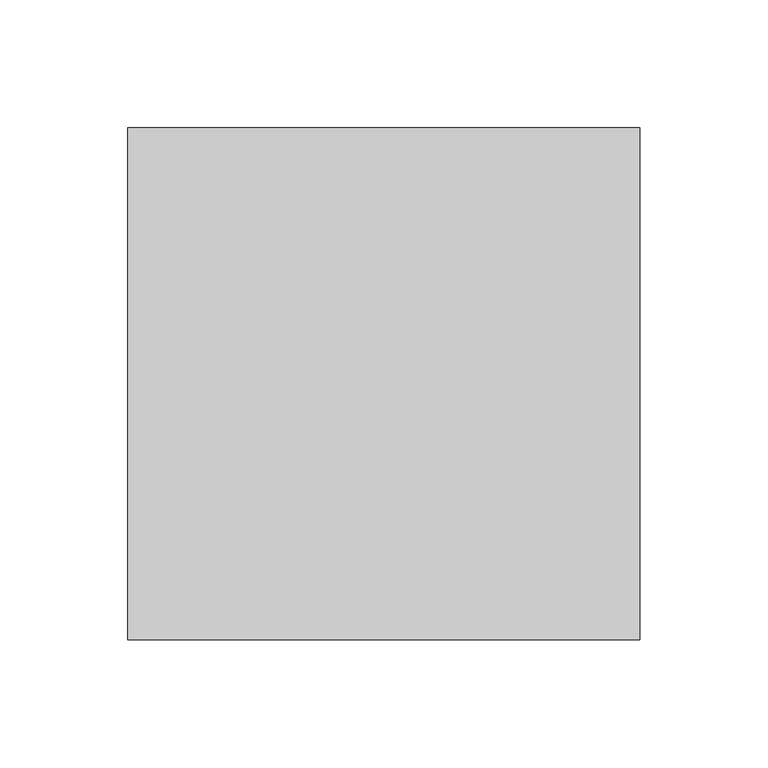
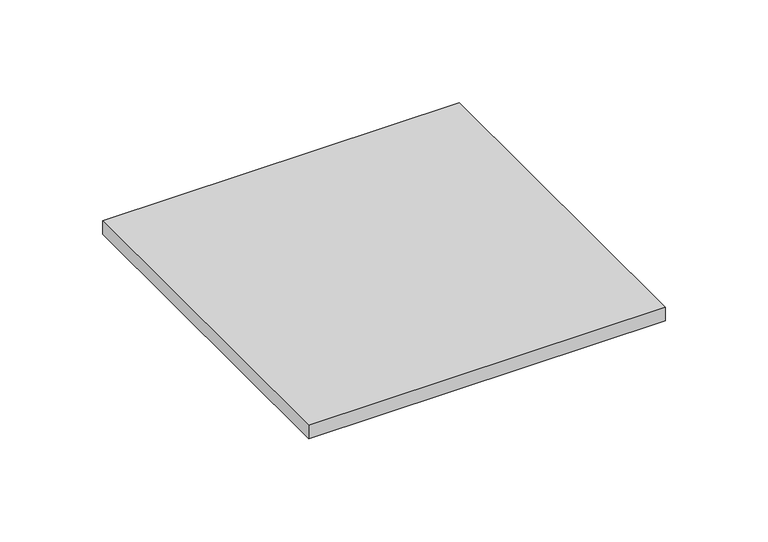
"""IFC4 building model written with IfcOpenShell, lengths in millimetres: reinforcing bar geometry."""

from ifc_helpers import new_model, si_unit, origin, origin_with_axes, place, context, project, spatial, polyline, outline, extrude, source, transform, mapped, element, save


def reinforcing_bar_fb9bd469(model_context):
    return source(origin(), model_context, "Body", "SweptSolid", [
        extrude(outline(polyline([(262.1999552, 116.8318829), (262.1999552, -83.1681171), (62.1999552, -83.1681171), (62.1999552, 116.8318829), (262.1999552, 116.8318829)])), origin_with_axes(), (0.0, 0.0, 1.0), 8.0),
    ])


if __name__ == "__main__":
    model = new_model("IFC4")
    model_context = context("Model", 3, world=origin())
    ifc_project = project(units=[si_unit("LENGTHUNIT", "METRE", prefix="MILLI")], contexts=[model_context])
    site = spatial("IfcSite", under=ifc_project)
    building = spatial("IfcBuilding", under=site)
    placement = place(None, origin())
    reinforcing_bar_shape = reinforcing_bar_fb9bd469(model_context)
    element("IfcReinforcingBar", 1, at=placement, inside=building, context=model_context, shape_type="MappedRepresentation", body=[
        mapped(reinforcing_bar_shape, transform((0.0, 0.0, 0.0), x_axis=(1.0, 0.0, 0.0), y_axis=(0.0, 1.0, 0.0), z_axis=(0.0, 0.0, 1.0))),
    ])
    save(model, "model.ifc")
